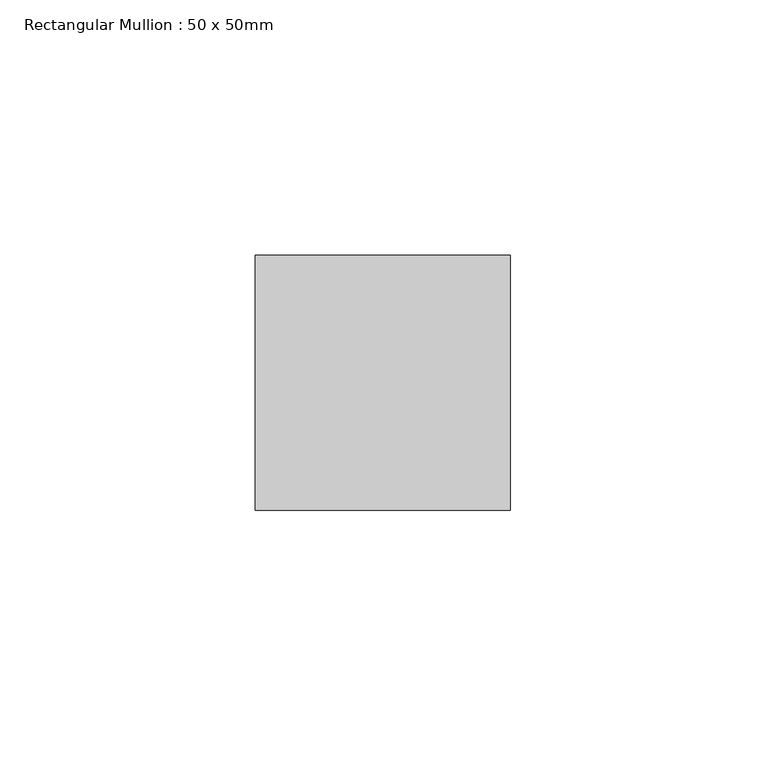
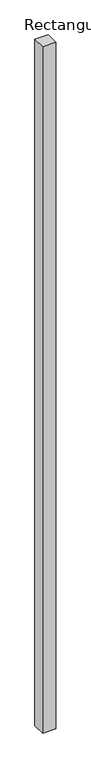
"""IFC4 building model written with IfcOpenShell, lengths in millimetres: member geometry, Rectangular Mullion : 50 x 50mm."""

import ifcopenshell
import ifcopenshell.guid

model = None  # the IFC model being written
_history = None  # IfcOwnerHistory: only IFC2X3 demands one
_inside = {}  # id of a spatial element -> (the spatial element, [elements in it])
_under = {}  # id of a project, library or spatial element -> (it, [spatial elements below it])
_declared = {}  # id of a project -> (the project, [libraries it declares])
_typed = {}  # id of a type object -> (the type object, [elements of that type])
_made_of = {}  # id of a material, layer set ... -> (it, [elements and type objects made of it])


def new_model(schema):
    """Start an empty IFC model of exactly this schema.

    Asked for "IFC4X3", IfcOpenShell would pick the latest addendum, in which some entities
    have other attributes; the version numbers below select the first issue.
    IFC2X3 requires an IfcOwnerHistory on every rooted entity: one is made here for all.
    """
    global model, _history
    if schema == "IFC4X3":
        model = ifcopenshell.file(schema_version=(4, 3, 0, 0))
    else:
        model = ifcopenshell.file(schema=schema)
    _inside.clear()
    _under.clear()
    _declared.clear()
    _typed.clear()
    _made_of.clear()
    _history = None
    if model.schema == "IFC2X3":
        org = make("IfcOrganization", Name="unknown")
        user = make(
            "IfcPersonAndOrganization",
            ThePerson=make("IfcPerson", FamilyName="unknown"),
            TheOrganization=org,
        )
        app = make(
            "IfcApplication",
            ApplicationDeveloper=org,
            Version="unknown",
            ApplicationFullName="unknown",
            ApplicationIdentifier="unknown",
        )
        _history = make(
            "IfcOwnerHistory",
            OwningUser=user,
            OwningApplication=app,
            ChangeAction="ADDED",
            CreationDate=0,
        )
    return model


def make(cls, **values):
    """One entity of the class cls with the attributes given. An attribute that is None is left unset."""
    return model.create_entity(
        cls, **{name: value for name, value in values.items() if value is not None}
    )


def rooted(cls, **values):
    """An entity with a GlobalId (a new one), such as an element, a storey or a relation."""
    return make(cls, GlobalId=ifcopenshell.guid.new(), OwnerHistory=_history, **values)


def si_unit(unit_type, name, prefix=None):
    """IfcSIUnit, for example si_unit("LENGTHUNIT", "METRE", prefix="MILLI")."""
    return make("IfcSIUnit", UnitType=unit_type, Prefix=prefix, Name=name)


def assignment(units):
    """IfcUnitAssignment: the units of a project."""
    return None if units is None else make("IfcUnitAssignment", Units=units)


def point(xyz):
    """IfcCartesianPoint."""
    return None if xyz is None else make("IfcCartesianPoint", Coordinates=xyz)


def direction(xyz):
    """IfcDirection."""
    return None if xyz is None else make("IfcDirection", DirectionRatios=xyz)


def frame(location, z_axis=None, x_axis=None):
    """IfcAxis2Placement3D, a coordinate frame: its origin and axes. An axis left out is left unset."""
    return make(
        "IfcAxis2Placement3D",
        Location=point(location),
        Axis=direction(z_axis),
        RefDirection=direction(x_axis),
    )


def origin():
    """The frame at (0, 0, 0) with its axes left unset."""
    return frame((0.0, 0.0, 0.0))


def place(relative_to, where):
    """IfcLocalPlacement: puts the frame where relative to a parent placement (None: the world)."""
    return make(
        "IfcLocalPlacement", PlacementRelTo=relative_to, RelativePlacement=where
    )


def context(
    kind, dimensions, precision=None, world=None, true_north=None, identifier=None
):
    """IfcGeometricRepresentationContext, for example the 3D "Model" context."""
    return make(
        "IfcGeometricRepresentationContext",
        ContextIdentifier=identifier,
        ContextType=kind,
        CoordinateSpaceDimension=dimensions,
        Precision=precision,
        WorldCoordinateSystem=world,
        TrueNorth=true_north,
    )


def project(units=None, contexts=None):
    """IfcProject with its units and contexts."""
    return rooted(
        "IfcProject",
        Name="project",
        RepresentationContexts=contexts,
        UnitsInContext=assignment(units),
    )


def spatial(cls, under=None, at=None, **own):
    """A site, building, storey or space (cls), placed at a placement, below another one or the project."""
    s = rooted(cls, ObjectPlacement=at, **own)
    if under is not None:
        _under.setdefault(under.id(), (under, []))[1].append(s)
    return s


def polyline(points):
    """IfcPolyline through the points."""
    return make("IfcPolyline", Points=[point(p) for p in points])


def outline(outer, holes=None, kind="AREA"):
    """IfcArbitraryClosedProfileDef: a profile drawn as a closed curve; with holes, ...WithVoids."""
    if holes is None:
        return make("IfcArbitraryClosedProfileDef", ProfileType=kind, OuterCurve=outer)
    return make(
        "IfcArbitraryProfileDefWithVoids",
        ProfileType=kind,
        OuterCurve=outer,
        InnerCurves=holes,
    )


def extrude(swept, where, along, depth):
    """IfcExtrudedAreaSolid: the profile swept, set in the frame where, extruded along a direction by depth."""
    return make(
        "IfcExtrudedAreaSolid",
        SweptArea=swept,
        Position=where,
        ExtrudedDirection=direction(along),
        Depth=depth,
    )


def shape(context_of_items, identifier, shape_type, items):
    """IfcShapeRepresentation: the items that make up one representation, for example the "Body"."""
    return make(
        "IfcShapeRepresentation",
        ContextOfItems=context_of_items,
        RepresentationIdentifier=identifier,
        RepresentationType=shape_type,
        Items=items,
    )


def source(mapping_origin, context_of_items, identifier, shape_type, items):
    """IfcRepresentationMap: a shape defined once, which mapped items show again and again."""
    return make(
        "IfcRepresentationMap",
        MappingOrigin=mapping_origin,
        MappedRepresentation=shape(context_of_items, identifier, shape_type, items),
    )


def transform(
    local_origin,
    x_axis=None,
    y_axis=None,
    z_axis=None,
    scale=None,
    scale2=None,
    scale3=None,
    uniform=True,
):
    """IfcCartesianTransformationOperator3D, or its non-uniform kind. x_axis, y_axis, z_axis: its Axis1, 2, 3."""
    if uniform:
        return make(
            "IfcCartesianTransformationOperator3D",
            Axis1=direction(x_axis),
            Axis2=direction(y_axis),
            LocalOrigin=point(local_origin),
            Scale=scale,
            Axis3=direction(z_axis),
        )
    return make(
        "IfcCartesianTransformationOperator3DnonUniform",
        Axis1=direction(x_axis),
        Axis2=direction(y_axis),
        LocalOrigin=point(local_origin),
        Scale=scale,
        Axis3=direction(z_axis),
        Scale2=scale2,
        Scale3=scale3,
    )


def mapped(mapping_source, mapping_target):
    """IfcMappedItem: shows the shape of a source again, moved by a transform."""
    return make(
        "IfcMappedItem", MappingSource=mapping_source, MappingTarget=mapping_target
    )


def made_of(thing, what):
    """Note that an element or type object is made of a material, layer set ...; save() writes the relation."""
    if what is not None:
        _made_of.setdefault(what.id(), (what, []))[1].append(thing)
    return thing


def element(
    cls,
    number,
    at=None,
    inside=None,
    cuts=None,
    type_object=None,
    material=None,
    context=None,
    identifier="Body",
    shape_type=None,
    held_by="IfcProductDefinitionShape",
    body=None,
    shapes=None,
    **own,
):
    """One element of the class cls, such as IfcWall. Its Tag is "e" and its number.

    at: its placement. inside: the storey or other place that contains it. cuts: it is an
    opening in that element (IfcRelVoidsElement). A single representation is given by context,
    identifier, shape_type and body (its items); several are given by shapes. held_by: the class
    of the entity that holds the representations. save() writes the other relations.
    """
    e = rooted(cls, Tag="e%d" % number, ObjectPlacement=at, **own)
    if body is not None:
        shapes = [shape(context, identifier, shape_type, body)]
    if shapes is not None:
        e.Representation = make(held_by, Representations=shapes)
    if inside is not None:
        _inside.setdefault(inside.id(), (inside, []))[1].append(e)
    if cuts is not None:
        rooted(
            "IfcRelVoidsElement", RelatingBuildingElement=cuts, RelatedOpeningElement=e
        )
    if type_object is not None:
        _typed.setdefault(type_object.id(), (type_object, []))[1].append(e)
    return made_of(e, material)


def aggregate(whole, parts):
    """IfcRelAggregates: a whole, such as a stair, and the parts it consists of."""
    return rooted("IfcRelAggregates", RelatingObject=whole, RelatedObjects=parts)


def save(model, path):
    """Write the relations noted so far, then the file.

    IfcRelAggregates (storeys below a building ...), IfcRelContainedInSpatialStructure (elements
    in a storey), IfcRelDefinesByType, IfcRelAssociatesMaterial and IfcRelDeclares: one each for
    every whole, place, type object, material and project.
    """
    for whole, parts in _under.values():
        aggregate(whole, parts)
    for where, things in _inside.values():
        rooted(
            "IfcRelContainedInSpatialStructure",
            RelatedElements=things,
            RelatingStructure=where,
        )
    for kind, things in _typed.values():
        rooted("IfcRelDefinesByType", RelatedObjects=things, RelatingType=kind)
    for what, things in _made_of.values():
        rooted("IfcRelAssociatesMaterial", RelatedObjects=things, RelatingMaterial=what)
    for by, libraries in _declared.values():
        rooted("IfcRelDeclares", RelatingContext=by, RelatedDefinitions=libraries)
    model.write(path)


def rectangular_mullion_50_x_50mm_d08734e0(model_context):
    return source(origin(), model_context, "Body", "SweptSolid", [
        extrude(outline(polyline([(25.0, 50.0), (25.0, 0.0), (-25.0, 0.0), (-25.0, 50.0), (25.0, 50.0)])), frame((0.0, 0.0, -2750.0), z_axis=(0.0, 0.0, 1.0), x_axis=(1.0, 0.0, 0.0)), (0.0, 0.0, 1.0), 2750.0),
    ])


if __name__ == "__main__":
    model = new_model("IFC4")
    model_context = context("Model", 3, world=origin())
    ifc_project = project(units=[si_unit("LENGTHUNIT", "METRE", prefix="MILLI")], contexts=[model_context])
    site = spatial("IfcSite", under=ifc_project)
    building = spatial("IfcBuilding", under=site)
    placement = place(None, origin())
    rectangular_mullion_50_x_50mm_shape = rectangular_mullion_50_x_50mm_d08734e0(model_context)
    element("IfcMember", 1, ObjectType="Rectangular Mullion : 50 x 50mm", at=placement, inside=building, context=model_context, shape_type="MappedRepresentation", body=[
        mapped(rectangular_mullion_50_x_50mm_shape, transform((0.0, 0.0, 0.0), x_axis=(1.0, 0.0, 0.0), y_axis=(0.0, 1.0, 0.0), z_axis=(0.0, 0.0, 1.0))),
    ])
    save(model, "model.ifc")
